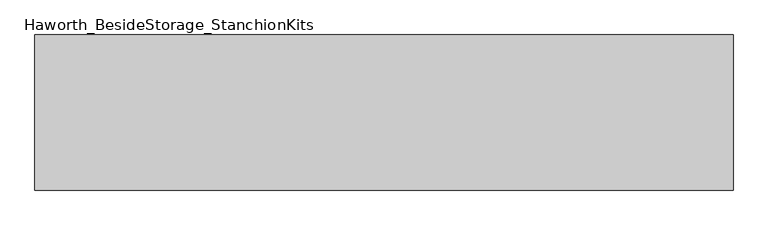
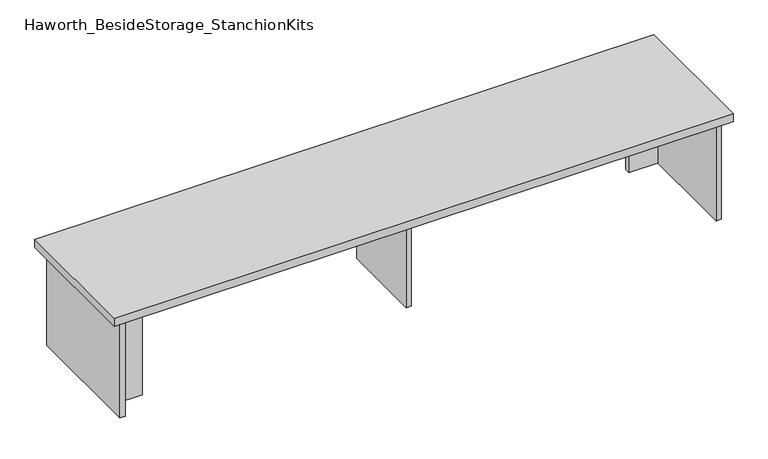
"""IFC4 building model written with IfcOpenShell, lengths in millimetres: furniture geometry, Haworth_BesideStorage_StanchionKits."""

from ifc_helpers import new_model, si_unit, frame, origin, place, context, project, spatial, polyline, outline, extrude, source, transform, mapped, element, save


def haworth_besidestorage_stanchionkits_a9ce8dbc(model_context):
    return source(origin(), model_context, "Body", "SweptSolid", [
        extrude(outline(polyline([(1076.325, 0.0), (1076.325, -406.4), (-752.475, -406.4), (-752.475, 0.0), (1076.325, 0.0)])), frame((0.0, 0.0, 736.6), z_axis=(0.0, 0.0, 1.0), x_axis=(1.0, 0.0, 0.0)), (0.0, 0.0, 1.0), 25.4),
        extrude(outline(polyline([(949.325, -76.2), (1035.05, -76.2), (1035.05, -92.075), (949.325, -92.075), (949.325, -76.2)])), frame((0.0, 0.0, 431.8), z_axis=(0.0, 0.0, 1.0), x_axis=(1.0, 0.0, 0.0)), (0.0, 0.0, 1.0), 304.8),
        extrude(outline(polyline([(-625.475, -314.325), (-625.475, -330.2), (-711.2, -330.2), (-711.2, -314.325), (-625.475, -314.325)])), frame((0.0, 0.0, 431.8), z_axis=(0.0, 0.0, 1.0), x_axis=(1.0, 0.0, 0.0)), (0.0, 0.0, 1.0), 304.8),
        extrude(outline(polyline([(169.8625, -330.2), (153.9875, -330.2), (153.9875, -76.2), (169.8625, -76.2), (169.8625, -330.2)])), frame((0.0, 0.0, 431.8), z_axis=(0.0, 0.0, 1.0), x_axis=(1.0, 0.0, 0.0)), (0.0, 0.0, 1.0), 304.8),
        extrude(outline(polyline([(1050.925, -390.525), (1035.05, -390.525), (1035.05, -15.875), (1050.925, -15.875), (1050.925, -390.525)])), frame((0.0, 0.0, 431.8), z_axis=(0.0, 0.0, 1.0), x_axis=(1.0, 0.0, 0.0)), (0.0, 0.0, 1.0), 304.8),
        extrude(outline(polyline([(-711.2, -390.525), (-727.075, -390.525), (-727.075, -15.875), (-711.2, -15.875), (-711.2, -390.525)])), frame((0.0, 0.0, 431.8), z_axis=(0.0, 0.0, 1.0), x_axis=(1.0, 0.0, 0.0)), (0.0, 0.0, 1.0), 304.8),
    ])


if __name__ == "__main__":
    model = new_model("IFC4")
    model_context = context("Model", 3, world=origin())
    ifc_project = project(units=[si_unit("LENGTHUNIT", "METRE", prefix="MILLI")], contexts=[model_context])
    site = spatial("IfcSite", under=ifc_project)
    building = spatial("IfcBuilding", under=site)
    placement = place(None, origin())
    haworth_besidestorage_stanchionkits_shape = haworth_besidestorage_stanchionkits_a9ce8dbc(model_context)
    element("IfcFurniture", 1, ObjectType="Haworth_BesideStorage_StanchionKits", at=placement, inside=building, context=model_context, shape_type="MappedRepresentation", body=[
        mapped(haworth_besidestorage_stanchionkits_shape, transform((0.0, 0.0, 0.0), x_axis=(1.0, 0.0, 0.0), y_axis=(0.0, 1.0, 0.0), z_axis=(0.0, 0.0, 1.0))),
    ])
    save(model, "model.ifc")
